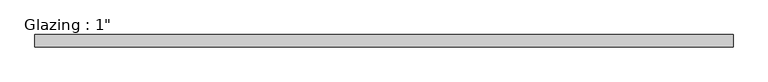
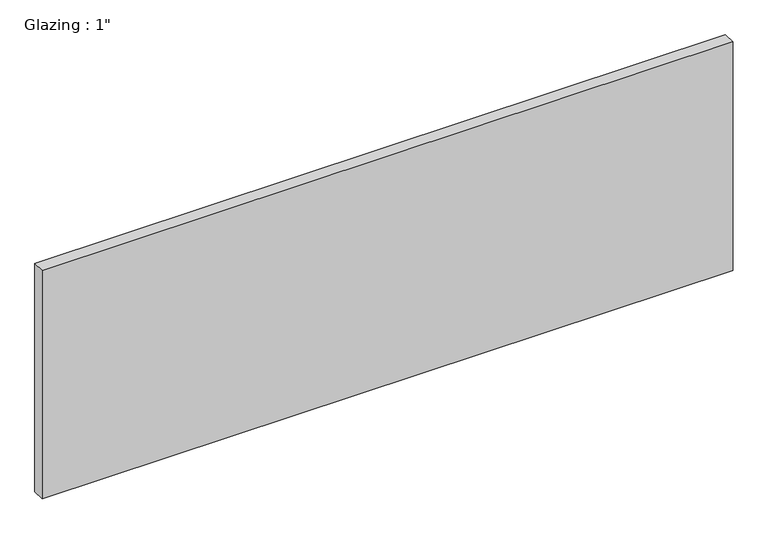
"""IFC4 building model written with IfcOpenShell, lengths in millimetres: plate geometry."""

from ifc_helpers import new_model, si_unit, origin, origin_with_axes, place, context, project, spatial, polyline, outline, extrude, source, transform, mapped, element, save


def plate_70675d76(model_context):
    return source(origin(), model_context, "Body", "SweptSolid", [
        extrude(outline(polyline([(712.1415297, -12.7), (-712.1415297, -12.7), (-712.1415297, 12.7), (712.1415297, 12.7), (712.1415297, -12.7)])), origin_with_axes(), (0.0, 0.0, 1.0), 497.9851068),
    ])


if __name__ == "__main__":
    model = new_model("IFC4")
    model_context = context("Model", 3, world=origin())
    ifc_project = project(units=[si_unit("LENGTHUNIT", "METRE", prefix="MILLI")], contexts=[model_context])
    site = spatial("IfcSite", under=ifc_project)
    building = spatial("IfcBuilding", under=site)
    placement = place(None, origin())
    plate_shape = plate_70675d76(model_context)
    element("IfcPlate", 1, ObjectType="Glazing : 1\"", at=placement, inside=building, context=model_context, shape_type="MappedRepresentation", body=[
        mapped(plate_shape, transform((0.0, 0.0, 0.0), x_axis=(1.0, 0.0, 0.0), y_axis=(0.0, 1.0, 0.0), z_axis=(0.0, 0.0, 1.0))),
    ])
    save(model, "model.ifc")
